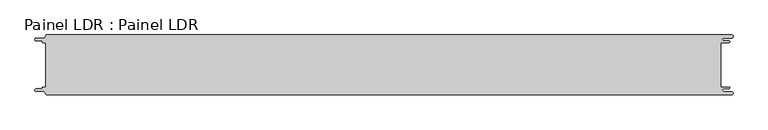
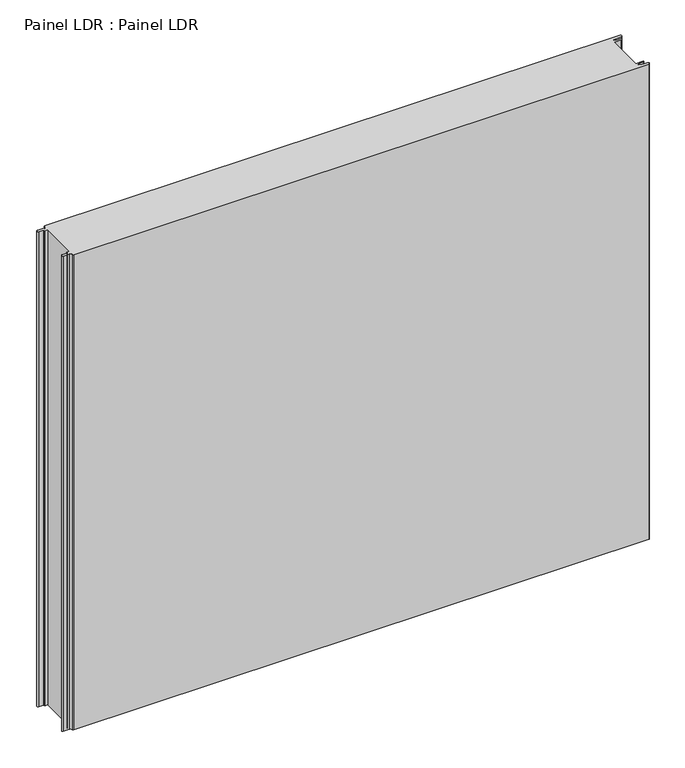
"""IFC4 building model written with IfcOpenShell, lengths in millimetres: proxy geometry, Painel LDR : Painel LDR."""

from ifc_helpers import new_model, si_unit, frame, origin, place, context, project, spatial, polyline, circle_curve, source, transform, mapped, element, save
from ifc_brep_helpers import plane_surface, cylinder_surface, revolved_surface, advanced_brep


def painel_ldr_painel_ldr_c5e701f1(model_context):
    return source(origin(), model_context, "Body", "AdvancedBrep", [
        advanced_brep(
        [(-579.5093748, 37.3, 1000.0), (-574.2218362, 37.3, 1000.0), (-574.2218362, -37.2999995, 1000.0), (-579.5093748, -37.2999995, 1000.0), (-580.1093753, -37.9, 1000.0), (-580.1093753, -38.7085185, 1000.0), (-581.5093753, -40.1085185, 1000.0), (-590.4875, -40.1085185, 1000.0), (-590.4875, -44.5085185, 1000.0), (-578.471875, -44.5085185, 1000.0), (-574.921875, -48.0585185, 1000.0), (-572.971875, -50.0, 1000.0), (572.284375, -50.0, 1000.0), (572.284375, -44.725, 1000.0), (559.378125, -44.725, 1000.0), (559.378125, -39.875, 1000.0), (568.0406253, -39.875, 1000.0), (568.0406253, -37.3, 1000.0), (554.1906253, -37.3, 1000.0), (554.1906253, 37.3, 1000.0), (568.0406253, 37.3, 1000.0), (568.0406253, 39.875, 1000.0), (559.378125, 39.875, 1000.0), (559.378125, 44.725, 1000.0), (572.284375, 44.725, 1000.0), (572.284375, 50.0, 1000.0), (-572.971875, 50.0, 1000.0), (-574.921875, 48.05, 1000.0), (-578.471875, 44.5085185, 1000.0), (-590.4875, 44.5085185, 1000.0), (-590.4875, 40.1085187, 1000.0), (-581.5093751, 40.1085187, 1000.0), (-580.1093748, 38.7085184, 1000.0), (-580.1093748, 37.9, 1000.0), (-579.5093748, 37.3, 0.0), (-580.1093748, 37.9, 0.0), (-580.1093748, 38.7085184, 0.0), (-581.5093751, 40.1085187, 0.0), (-590.4875, 40.1085187, 0.0), (-590.4875, 44.5085185, 0.0), (-578.471875, 44.5085185, 0.0), (-574.921875, 48.0585185, 0.0), (-572.971875, 50.0, 0.0), (572.284375, 50.0, 0.0), (572.284375, 44.725, 0.0), (559.378125, 44.725, 0.0), (559.378125, 39.875, 0.0), (568.0406253, 39.875, 0.0), (568.0406253, 37.3, 0.0), (554.1906253, 37.3, 0.0), (554.1906253, -37.3, 0.0), (568.0406253, -37.3, 0.0), (568.0406253, -39.875, 0.0), (559.378125, -39.875, 0.0), (559.378125, -44.725, 0.0), (572.284375, -44.725, 0.0), (572.284375, -50.0, 0.0), (-572.971875, -50.0, 0.0), (-574.921875, -48.05, 0.0), (-578.471875, -44.5085185, 0.0), (-590.4875, -44.5085185, 0.0), (-590.4875, -40.1085185, 0.0), (-581.5093753, -40.1085185, 0.0), (-580.1093753, -38.7085185, 0.0), (-580.1093753, -37.9, 0.0), (-579.5093748, -37.2999995, 0.0), (-574.2218362, -37.2999995, 0.0), (-574.2218362, 37.3, 0.0)],
        [
            (0, 1),
            (1, 2),
            (2, 3),
            (3, 4, circle_curve(frame((-579.5093748, -37.9, 1000.0), z_axis=(0.0, 0.0, 1.0), x_axis=(1.0, 0.0, 0.0)), 0.6000005)),
            (4, 5),
            (5, 6, circle_curve(frame((-581.5093753, -38.7085185, 1000.0), z_axis=(0.0, 0.0, -1.0), x_axis=(1.0, 0.0, 0.0)), 1.4)),
            (6, 7),
            (7, 8, circle_curve(frame((-590.4875, -42.3085185, 1000.0), z_axis=(0.0, 0.0, 1.0), x_axis=(1.0, 0.0, 0.0)), 2.2)),
            (8, 9),
            (9, 10, circle_curve(frame((-578.471875, -48.0585185, 1000.0), z_axis=(0.0, 0.0, -1.0), x_axis=(1.0, 0.0, 0.0)), 3.55)),
            (10, 11, circle_curve(frame((-572.971875, -48.05, 1000.0), z_axis=(0.0, 0.0, 1.0), x_axis=(1.0, 0.0, 0.0)), 1.95)),
            (11, 12),
            (12, 13, circle_curve(frame((572.284375, -47.3625, 1000.0), z_axis=(0.0, 0.0, 1.0), x_axis=(1.0, 0.0, 0.0)), 2.6375)),
            (13, 14),
            (14, 15, circle_curve(frame((559.378125, -42.3, 1000.0), z_axis=(0.0, 0.0, -1.0), x_axis=(1.0, 0.0, 0.0)), 2.425)),
            (15, 16),
            (16, 17, circle_curve(frame((568.0406253, -38.5875, 1000.0), z_axis=(0.0, 0.0, 1.0), x_axis=(1.0, 0.0, 0.0)), 1.2875)),
            (17, 18),
            (18, 19),
            (19, 20),
            (20, 21, circle_curve(frame((568.0406253, 38.5875, 1000.0), z_axis=(0.0, 0.0, 1.0), x_axis=(1.0, 0.0, 0.0)), 1.2875)),
            (21, 22),
            (22, 23, circle_curve(frame((559.378125, 42.3, 1000.0), z_axis=(0.0, 0.0, -1.0), x_axis=(1.0, 0.0, 0.0)), 2.425)),
            (23, 24),
            (24, 25, circle_curve(frame((572.284375, 47.3625, 1000.0), z_axis=(0.0, 0.0, 1.0), x_axis=(1.0, 0.0, 0.0)), 2.6375)),
            (25, 26),
            (26, 27, circle_curve(frame((-572.971875, 48.05, 1000.0), z_axis=(0.0, 0.0, 1.0), x_axis=(1.0, 0.0, 0.0)), 1.95)),
            (27, 28, circle_curve(frame((-578.471875, 48.0585185, 1000.0), z_axis=(0.0, 0.0, -1.0), x_axis=(1.0, 0.0, 0.0)), 3.55)),
            (28, 29),
            (29, 30, circle_curve(frame((-590.4875, 42.3085186, 1000.0), z_axis=(0.0, 0.0, 1.0), x_axis=(1.0, 0.0, 0.0)), 2.1999999)),
            (30, 31),
            (31, 32, circle_curve(frame((-581.5093751, 38.7085184, 1000.0), z_axis=(0.0, 0.0, -1.0), x_axis=(1.0, 0.0, 0.0)), 1.4000003)),
            (32, 33),
            (33, 0, circle_curve(frame((-579.5093748, 37.9, 1000.0), z_axis=(0.0, 0.0, 1.0), x_axis=(1.0, 0.0, 0.0)), 0.6)),
            (34, 35, circle_curve(frame((-579.5093748, 37.9, 0.0), z_axis=(0.0, 0.0, -1.0), x_axis=(1.0, 0.0, 0.0)), 0.6)),
            (35, 36),
            (36, 37, circle_curve(frame((-581.5093751, 38.7085184, 0.0), z_axis=(0.0, 0.0, 1.0), x_axis=(1.0, 0.0, 0.0)), 1.4000003)),
            (37, 38),
            (38, 39, circle_curve(frame((-590.4875, 42.3085186, 0.0), z_axis=(0.0, 0.0, -1.0), x_axis=(1.0, 0.0, 0.0)), 2.1999999)),
            (39, 40),
            (40, 41, circle_curve(frame((-578.471875, 48.0585185, 0.0), z_axis=(0.0, 0.0, 1.0), x_axis=(1.0, 0.0, 0.0)), 3.55)),
            (41, 42, circle_curve(frame((-572.971875, 48.05, 0.0), z_axis=(0.0, 0.0, -1.0), x_axis=(1.0, 0.0, 0.0)), 1.95)),
            (42, 43),
            (43, 44, circle_curve(frame((572.284375, 47.3625, 0.0), z_axis=(0.0, 0.0, -1.0), x_axis=(1.0, 0.0, 0.0)), 2.6375)),
            (44, 45),
            (45, 46, circle_curve(frame((559.378125, 42.3, 0.0), z_axis=(0.0, 0.0, 1.0), x_axis=(1.0, 0.0, 0.0)), 2.425)),
            (46, 47),
            (47, 48, circle_curve(frame((568.0406253, 38.5875, 0.0), z_axis=(0.0, 0.0, -1.0), x_axis=(1.0, 0.0, 0.0)), 1.2875)),
            (48, 49),
            (49, 50),
            (50, 51),
            (51, 52, circle_curve(frame((568.0406253, -38.5875, 0.0), z_axis=(0.0, 0.0, -1.0), x_axis=(1.0, 0.0, 0.0)), 1.2875)),
            (52, 53),
            (53, 54, circle_curve(frame((559.378125, -42.3, 0.0), z_axis=(0.0, 0.0, 1.0), x_axis=(1.0, 0.0, 0.0)), 2.425)),
            (54, 55),
            (55, 56, circle_curve(frame((572.284375, -47.3625, 0.0), z_axis=(0.0, 0.0, -1.0), x_axis=(1.0, 0.0, 0.0)), 2.6375)),
            (56, 57),
            (57, 58, circle_curve(frame((-572.971875, -48.05, 0.0), z_axis=(0.0, 0.0, -1.0), x_axis=(1.0, 0.0, 0.0)), 1.95)),
            (58, 59, circle_curve(frame((-578.471875, -48.0585185, 0.0), z_axis=(0.0, 0.0, 1.0), x_axis=(1.0, 0.0, 0.0)), 3.55)),
            (59, 60),
            (60, 61, circle_curve(frame((-590.4875, -42.3085185, 0.0), z_axis=(0.0, 0.0, -1.0), x_axis=(1.0, 0.0, 0.0)), 2.2)),
            (61, 62),
            (62, 63, circle_curve(frame((-581.5093753, -38.7085185, 0.0), z_axis=(0.0, 0.0, 1.0), x_axis=(1.0, 0.0, 0.0)), 1.4)),
            (63, 64),
            (64, 65, circle_curve(frame((-579.5093748, -37.9, 0.0), z_axis=(0.0, 0.0, -1.0), x_axis=(1.0, 0.0, 0.0)), 0.6000005)),
            (65, 66),
            (66, 67),
            (67, 34),
            (0, 34),
            (67, 1),
            (66, 2),
            (65, 3),
            (64, 4),
            (63, 5),
            (62, 6),
            (61, 7),
            (60, 8),
            (59, 9),
            (58, 10),
            (57, 11),
            (56, 12),
            (18, 50),
            (49, 19),
            (48, 20),
            (47, 21),
            (46, 22),
            (45, 23),
            (44, 24),
            (43, 25),
            (42, 26),
            (41, 27),
            (40, 28),
            (39, 29),
            (38, 30),
            (37, 31),
            (36, 32),
            (35, 33),
            (55, 13),
            (54, 14),
            (53, 15),
            (52, 16),
            (51, 17),
        ],
        [
            plane_surface(frame((-574.2218362, 37.3, 1000.0), z_axis=(0.0, 0.0, 1.0), x_axis=(1.0, 0.0, 0.0))),
            plane_surface(frame((-574.2218362, 37.3, 0.0), z_axis=(0.0, 0.0, -1.0), x_axis=(-1.0, 0.0, 0.0))),
            plane_surface(frame((-579.5093748, 37.3, 1000.0), z_axis=(0.0, -1.0, 0.0), x_axis=(0.0, 0.0, -1.0))),
            plane_surface(frame((-574.2218362, 37.3, 1000.0), z_axis=(-1.0, 0.0, 0.0), x_axis=(0.0, 0.0, -1.0))),
            plane_surface(frame((-574.2218362, -37.2999995, 1000.0), z_axis=(0.0, 1.0, 0.0), x_axis=(0.0, 0.0, -1.0))),
            cylinder_surface(frame((-579.5093748, -37.9, 0.0), z_axis=(0.0, 0.0, 1.0), x_axis=(1.0, 0.0, 0.0)), 0.6000005),
            plane_surface(frame((-580.1093753, -37.9, 1000.0), z_axis=(-1.0, 1.7578608662328141e-12, 0.0), x_axis=(0.0, 0.0, -1.0))),
            revolved_surface(polyline([(-580.1093753, -38.7085185, 0.0), (-580.1093753, -38.7085185, 1000.0)]), (-581.5093753, -38.7085185, 0.0), (0.0, 0.0, -1.0)),
            plane_surface(frame((-581.5093753, -40.1085185, 1000.0), z_axis=(0.0, 1.0, 0.0), x_axis=(0.0, 0.0, -1.0))),
            cylinder_surface(frame((-590.4875, -42.3085185, 0.0), z_axis=(0.0, 0.0, 1.0), x_axis=(1.0, 0.0, 0.0)), 2.2),
            plane_surface(frame((-590.4875, -44.5085185, 1000.0), z_axis=(0.0, -1.0, 0.0), x_axis=(0.0, 0.0, -1.0))),
            revolved_surface(polyline([(-574.921875, -48.0585185, 0.0), (-574.921875, -48.0585185, 1000.0)]), (-578.471875, -48.0585185, 0.0), (0.0, 0.0, -1.0)),
            cylinder_surface(frame((-572.971875, -48.05, 0.0), z_axis=(0.0, 0.0, 1.0), x_axis=(1.0, 0.0, 0.0)), 1.95),
            plane_surface(frame((-572.971875, -50.0, 1000.0), z_axis=(0.0, -1.0, 0.0), x_axis=(0.0, 0.0, -1.0))),
            plane_surface(frame((554.1906253, -37.3, 1000.0), z_axis=(1.0, 0.0, 0.0), x_axis=(0.0, 0.0, -1.0))),
            plane_surface(frame((554.1906253, 37.3, 1000.0), z_axis=(0.0, -1.0, 0.0), x_axis=(0.0, 0.0, -1.0))),
            cylinder_surface(frame((568.0406253, 38.5875, 0.0), z_axis=(0.0, 0.0, 1.0), x_axis=(1.0, 0.0, 0.0)), 1.2875),
            plane_surface(frame((568.0406253, 39.875, 1000.0), z_axis=(0.0, 1.0, 0.0), x_axis=(0.0, 0.0, -1.0))),
            revolved_surface(polyline([(561.8031249999999, 42.3, 0.0), (561.8031249999999, 42.3, 1000.0)]), (559.378125, 42.3, 0.0), (0.0, 0.0, -1.0)),
            plane_surface(frame((559.378125, 44.725, 1000.0), z_axis=(0.0, -1.0, 0.0), x_axis=(0.0, 0.0, -1.0))),
            cylinder_surface(frame((572.284375, 47.3625, 0.0), z_axis=(0.0, 0.0, 1.0), x_axis=(1.0, 0.0, 0.0)), 2.6375),
            plane_surface(frame((572.284375, 50.0, 1000.0), z_axis=(0.0, 1.0, 0.0), x_axis=(0.0, 0.0, -1.0))),
            cylinder_surface(frame((-572.971875, 48.05, 0.0), z_axis=(0.0, 0.0, 1.0), x_axis=(1.0, 0.0, 0.0)), 1.95),
            revolved_surface(polyline([(-574.921875, 48.0585185, 0.0), (-574.921875, 48.0585185, 1000.0)]), (-578.471875, 48.0585185, 0.0), (0.0, 0.0, -1.0)),
            plane_surface(frame((-578.471875, 44.5085185, 1000.0), z_axis=(0.0, 1.0, 0.0), x_axis=(0.0, 0.0, -1.0))),
            cylinder_surface(frame((-590.4875, 42.3085186, 0.0), z_axis=(0.0, 0.0, 1.0), x_axis=(1.0, 0.0, 0.0)), 2.1999999),
            plane_surface(frame((-590.4875, 40.1085187, 1000.0), z_axis=(0.0, -1.0, 0.0), x_axis=(0.0, 0.0, -1.0))),
            revolved_surface(polyline([(-580.1093748000001, 38.7085184, 0.0), (-580.1093748000001, 38.7085184, 1000.0)]), (-581.5093751, 38.7085184, 0.0), (0.0, 0.0, -1.0)),
            plane_surface(frame((-580.1093748, 38.7085184, 1000.0), z_axis=(-1.0, 0.0, 0.0), x_axis=(0.0, 0.0, -1.0))),
            cylinder_surface(frame((-579.5093748, 37.9, 0.0), z_axis=(0.0, 0.0, 1.0), x_axis=(1.0, 0.0, 0.0)), 0.6),
            cylinder_surface(frame((572.284375, -47.3625, 0.0), z_axis=(0.0, 0.0, 1.0), x_axis=(1.0, 0.0, 0.0)), 2.6375),
            plane_surface(frame((572.284375, -44.725, 1000.0), z_axis=(0.0, 1.0, 0.0), x_axis=(0.0, 0.0, -1.0))),
            revolved_surface(polyline([(561.8031249999999, -42.3, 0.0), (561.8031249999999, -42.3, 1000.0)]), (559.378125, -42.3, 0.0), (0.0, 0.0, -1.0)),
            plane_surface(frame((559.378125, -39.875, 1000.0), z_axis=(0.0, -1.0, 0.0), x_axis=(0.0, 0.0, -1.0))),
            cylinder_surface(frame((568.0406253, -38.5875, 0.0), z_axis=(0.0, 0.0, 1.0), x_axis=(1.0, 0.0, 0.0)), 1.2875),
            plane_surface(frame((568.0406253, -37.3, 1000.0), z_axis=(0.0, 1.0, 0.0), x_axis=(0.0, 0.0, -1.0))),
        ],
        [
            (0, [[1, 2, 3, 4, 5, 6, 7, 8, 9, 10, 11, 12, 13, 14, 15, 16, 17, 18, 19, 20, 21, 22, 23, 24, 25, 26, 27, 28, 29, 30, 31, 32, 33, 34]]),
            (1, [[35, 36, 37, 38, 39, 40, 41, 42, 43, 44, 45, 46, 47, 48, 49, 50, 51, 52, 53, 54, 55, 56, 57, 58, 59, 60, 61, 62, 63, 64, 65, 66, 67, 68]]),
            (2, [[-1, 69, -68, 70]]),
            (3, [[-2, -70, -67, 71]]),
            (4, [[-3, -71, -66, 72]]),
            (5, [[-4, -72, -65, 73]]),
            (6, [[-5, -73, -64, 74]]),
            (7, [[-6, -74, -63, 75]]),
            (8, [[-7, -75, -62, 76]]),
            (9, [[-8, -76, -61, 77]]),
            (10, [[-9, -77, -60, 78]]),
            (11, [[-10, -78, -59, 79]]),
            (12, [[-11, -79, -58, 80]]),
            (13, [[-12, -80, -57, 81]]),
            (14, [[-19, 82, -50, 83]]),
            (15, [[-20, -83, -49, 84]]),
            (16, [[-21, -84, -48, 85]]),
            (17, [[-22, -85, -47, 86]]),
            (18, [[-23, -86, -46, 87]]),
            (19, [[-24, -87, -45, 88]]),
            (20, [[-25, -88, -44, 89]]),
            (21, [[-26, -89, -43, 90]]),
            (22, [[-27, -90, -42, 91]]),
            (23, [[-28, -91, -41, 92]]),
            (24, [[-29, -92, -40, 93]]),
            (25, [[-30, -93, -39, 94]]),
            (26, [[-31, -94, -38, 95]]),
            (27, [[-32, -95, -37, 96]]),
            (28, [[-33, -96, -36, 97]]),
            (29, [[-34, -97, -35, -69]]),
            (30, [[-13, -81, -56, 98]]),
            (31, [[-14, -98, -55, 99]]),
            (32, [[-15, -99, -54, 100]]),
            (33, [[-16, -100, -53, 101]]),
            (34, [[-17, -101, -52, 102]]),
            (35, [[-18, -102, -51, -82]]),
        ],
    ),
    ])


if __name__ == "__main__":
    model = new_model("IFC4")
    model_context = context("Model", 3, world=origin())
    ifc_project = project(units=[si_unit("LENGTHUNIT", "METRE", prefix="MILLI")], contexts=[model_context])
    site = spatial("IfcSite", under=ifc_project)
    building = spatial("IfcBuilding", under=site)
    placement = place(None, origin())
    painel_ldr_painel_ldr_shape = painel_ldr_painel_ldr_c5e701f1(model_context)
    element("IfcBuildingElementProxy", 1, Name="Painel LDR : Painel LDR", ObjectType="Painel LDR : Painel LDR", at=placement, inside=building, context=model_context, shape_type="MappedRepresentation", body=[
        mapped(painel_ldr_painel_ldr_shape, transform((0.0, 0.0, 0.0), x_axis=(1.0, 0.0, 0.0), y_axis=(0.0, 1.0, 0.0), z_axis=(0.0, 0.0, 1.0))),
    ])
    save(model, "model.ifc")
